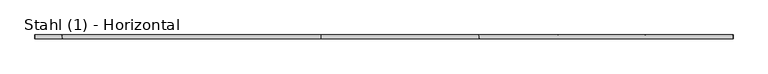
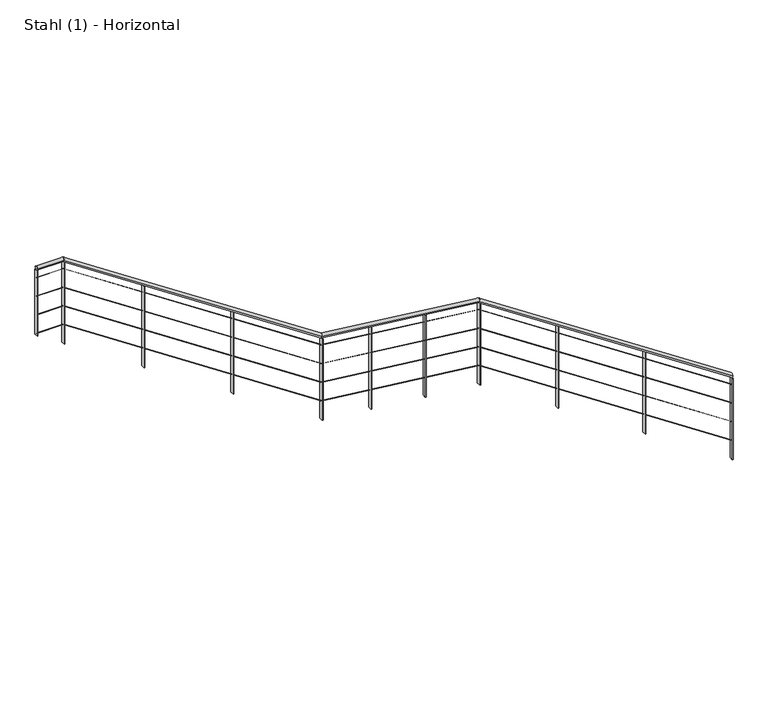
"""IFC4 building model written with IfcOpenShell, lengths in millimetres: railing geometry, Stahl (1) - Horizontal."""

from ifc_helpers import new_model, si_unit, frame, origin, place, context, project, spatial, polyline, circle_curve, ellipse_curve, outline, extrude, source, transform, mapped, element, save
from ifc_brep_helpers import plane_surface, cylinder_surface, advanced_brep


def stahl_1_horizontal_8ded61ef(model_context):
    return source(origin(), model_context, "Body", "SolidModel", [
        advanced_brep(
        [(4634.376212, 6525.5303268, 1086.2890973), (4634.376212, 6565.5303268, 1086.2890973), (2061.3911683, 6525.5303268, 2791.1440522), (2061.3911683, 6565.5303268, 2791.1440522), (461.3911683, 6525.5303268, 2972.0964332), (461.3911683, 6565.5303268, 2972.0964332), (-2160.4580306, 6525.5303268, 4709.3286835), (-2160.4580306, 6565.5303268, 4709.3286835), (-2427.5285499, 6525.5303268, 4709.3286835), (-2427.5285499, 6565.5303268, 4709.3286835)],
        [
            (0, 1, ellipse_curve(frame((4634.376212, 6545.5303268, 1086.2890973), z_axis=(1.0, 0.0, 0.0), x_axis=(0.0, 0.0, -1.0)), 23.9919671, 20.0)),
            (1, 0, ellipse_curve(frame((4634.376212, 6545.5303268, 1086.2890973), z_axis=(1.0, 0.0, 0.0), x_axis=(0.0, 0.0, -1.0)), 23.9919671, 20.0)),
            (0, 2),
            (2, 3, ellipse_curve(frame((2061.3911683, 6545.5303268, 2791.1440522), z_axis=(0.9397497898618704, 0.0, -0.34186303171675414), x_axis=(-0.34186303171675403, 0.0, -0.9397497898618703)), 20.5715803, 20.0)),
            (3, 1),
            (3, 2, ellipse_curve(frame((2061.3911683, 6545.5303268, 2791.1440522), z_axis=(0.9397497898618704, 0.0, -0.34186303171675414), x_axis=(-0.34186303171675403, 0.0, -0.9397497898618703)), 20.5715803, 20.0)),
            (2, 4),
            (4, 5, ellipse_curve(frame((461.3911683, 6545.5303268, 2972.0964332), z_axis=(0.9397497898618704, 0.0, -0.34186303171675414), x_axis=(0.34186303171675403, 0.0, 0.9397497898618703)), 20.5715803, 20.0)),
            (5, 3),
            (5, 4, ellipse_curve(frame((461.3911683, 6545.5303268, 2972.0964332), z_axis=(0.9397497898618704, 0.0, -0.34186303171675414), x_axis=(0.34186303171675403, 0.0, 0.9397497898618703)), 20.5715803, 20.0)),
            (4, 6),
            (6, 7, ellipse_curve(frame((-2160.4580306, 6545.5303268, 4709.3286835), z_axis=(0.9574999596457311, 0.0, -0.28843340180780563), x_axis=(-0.28843340180780525, 0.0, -0.9574999596457314)), 20.8877293, 20.0)),
            (7, 5),
            (7, 6, ellipse_curve(frame((-2160.4580306, 6545.5303268, 4709.3286835), z_axis=(0.9574999596457311, 0.0, -0.28843340180780563), x_axis=(-0.28843340180780525, 0.0, -0.9574999596457314)), 20.8877293, 20.0)),
            (8, 9, circle_curve(frame((-2427.5285499, 6545.5303268, 4709.3286835), z_axis=(-1.0, 0.0, 0.0), x_axis=(0.0, 1.0, 0.0)), 20.0)),
            (9, 8, circle_curve(frame((-2427.5285499, 6545.5303268, 4709.3286835), z_axis=(-1.0, 0.0, 0.0), x_axis=(0.0, 1.0, 0.0)), 20.0)),
            (6, 8),
            (9, 7),
        ],
        [
            plane_surface(frame((4634.376212, 6545.5303268, 1110.2810645), z_axis=(1.0, 0.0, 0.0), x_axis=(0.0, -1.0, 0.0))),
            cylinder_surface(frame((4623.3292132, 6545.5303268, 1093.6088176), z_axis=(0.833612345443154, 0.0, -0.5523499411829098), x_axis=(0.0, 1.0, 0.0)), 20.0),
            cylinder_surface(frame((2066.1762545, 6545.5303268, 2790.6028818), z_axis=(0.9936654360374934, 0.0, -0.11237882907566864), x_axis=(0.0, 1.0, 0.0)), 20.0),
            cylinder_surface(frame((457.3768323, 6545.5303268, 2974.7563245), z_axis=(0.8336123454431539, 0.0, -0.5523499411829098), x_axis=(0.0, 1.0, 0.0)), 20.0),
            plane_surface(frame((-2427.5285499, 6545.5303268, 4729.3286835), z_axis=(-1.0, 0.0, 0.0), x_axis=(0.0, -1.0, 0.0))),
            cylinder_surface(frame((-2154.4333118, 6545.5303268, 4709.3286835), z_axis=(1.0, 0.0, 0.0), x_axis=(0.0, 1.0, 0.0)), 20.0),
        ],
        [
            (0, [[1, 2]]),
            (1, [[-1, 3, 4, 5]]),
            (1, [[-2, -5, 6, -3]]),
            (2, [[-4, 7, 8, 9]]),
            (2, [[-6, -9, 10, -7]]),
            (3, [[-8, 11, 12, 13]]),
            (3, [[-10, -13, 14, -11]]),
            (4, [[15, 16]]),
            (5, [[-12, 17, -16, 18]]),
            (5, [[-14, -18, -15, -17]]),
        ],
    ),
        advanced_brep(
        [(4634.376212, 6544.0303268, 988.4816669), (4634.376212, 6547.0303268, 988.4816669), (2067.8963814, 6544.0303268, 2689.0262801), (2067.8963814, 6547.0303268, 2689.0262801), (467.8963814, 6544.0303268, 2869.9786611), (467.8963814, 6547.0303268, 2869.9786611), (-2154.8851657, 6544.0303268, 4607.8286835), (-2154.8851657, 6547.0303268, 4607.8286835), (-2427.5285499, 6544.0303268, 4607.8286835), (-2427.5285499, 6547.0303268, 4607.8286835)],
        [
            (0, 1, ellipse_curve(frame((4634.376212, 6545.5303268, 988.4816669), z_axis=(1.0, 0.0, 0.0), x_axis=(0.0, 0.0, -1.0)), 1.7993975, 1.5)),
            (1, 0, ellipse_curve(frame((4634.376212, 6545.5303268, 988.4816669), z_axis=(1.0, 0.0, 0.0), x_axis=(0.0, 0.0, -1.0)), 1.7993975, 1.5)),
            (0, 2),
            (2, 3, ellipse_curve(frame((2067.8963814, 6545.5303268, 2689.0262801), z_axis=(0.9397497898618704, 0.0, -0.34186303171675414), x_axis=(-0.34186303171675403, 0.0, -0.9397497898618703)), 1.5428685, 1.5)),
            (3, 1),
            (3, 2, ellipse_curve(frame((2067.8963814, 6545.5303268, 2689.0262801), z_axis=(0.9397497898618704, 0.0, -0.34186303171675414), x_axis=(-0.34186303171675403, 0.0, -0.9397497898618703)), 1.5428685, 1.5)),
            (2, 4),
            (4, 5, ellipse_curve(frame((467.8963814, 6545.5303268, 2869.9786611), z_axis=(0.9397497898618704, 0.0, -0.3418630317167542), x_axis=(0.34186303171675386, 0.0, 0.9397497898618704)), 1.5428685, 1.5)),
            (5, 3),
            (5, 4, ellipse_curve(frame((467.8963814, 6545.5303268, 2869.9786611), z_axis=(0.9397497898618704, 0.0, -0.3418630317167542), x_axis=(0.34186303171675386, 0.0, 0.9397497898618704)), 1.5428685, 1.5)),
            (4, 6),
            (6, 7, ellipse_curve(frame((-2154.8851657, 6545.5303268, 4607.8286835), z_axis=(0.9574999596457311, 0.0, -0.2884334018078057), x_axis=(-0.28843340180780513, 0.0, -0.9574999596457313)), 1.5665797, 1.5)),
            (7, 5),
            (7, 6, ellipse_curve(frame((-2154.8851657, 6545.5303268, 4607.8286835), z_axis=(0.9574999596457311, 0.0, -0.2884334018078057), x_axis=(-0.28843340180780513, 0.0, -0.9574999596457313)), 1.5665797, 1.5)),
            (8, 9, circle_curve(frame((-2427.5285499, 6545.5303268, 4607.8286835), z_axis=(-1.0, 0.0, 0.0), x_axis=(0.0, 1.0, 0.0)), 1.5)),
            (9, 8, circle_curve(frame((-2427.5285499, 6545.5303268, 4607.8286835), z_axis=(-1.0, 0.0, 0.0), x_axis=(0.0, 1.0, 0.0)), 1.5)),
            (6, 8),
            (9, 7),
        ],
        [
            plane_surface(frame((4634.376212, 6545.5303268, 990.2810645), z_axis=(1.0, 0.0, 0.0), x_axis=(0.0, -1.0, 0.0))),
            cylinder_surface(frame((4633.5476871, 6545.5303268, 989.030646), z_axis=(0.8336123454431539, 0.0, -0.5523499411829098), x_axis=(0.0, 1.0, 0.0)), 1.5),
            cylinder_surface(frame((2068.2552628, 6545.5303268, 2688.9856923), z_axis=(0.9936654360374934, 0.0, -0.11237882907566861), x_axis=(0.0, 1.0, 0.0)), 1.5),
            cylinder_surface(frame((467.5953062, 6545.5303268, 2870.1781529), z_axis=(0.8336123454431539, 0.0, -0.5523499411829099), x_axis=(0.0, 1.0, 0.0)), 1.5),
            plane_surface(frame((-2427.5285499, 6545.5303268, 4609.3286835), z_axis=(-1.0, 0.0, 0.0), x_axis=(0.0, -1.0, 0.0))),
            cylinder_surface(frame((-2154.4333118, 6545.5303268, 4607.8286835), z_axis=(1.0, 0.0, 0.0), x_axis=(0.0, 1.0, 0.0)), 1.5),
        ],
        [
            (0, [[1, 2]]),
            (1, [[-1, 3, 4, 5]]),
            (1, [[-2, -5, 6, -3]]),
            (2, [[-4, 7, 8, 9]]),
            (2, [[-6, -9, 10, -7]]),
            (3, [[-8, 11, 12, 13]]),
            (3, [[-10, -13, 14, -11]]),
            (4, [[15, 16]]),
            (5, [[-12, 17, -16, 18]]),
            (5, [[-14, -18, -15, -17]]),
        ],
    ),
        advanced_brep(
        [(4634.376212, 6544.0303268, 788.4816669), (4634.376212, 6547.0303268, 788.4816669), (2067.8963814, 6544.0303268, 2489.0262801), (2067.8963814, 6547.0303268, 2489.0262801), (467.8963814, 6544.0303268, 2669.9786611), (467.8963814, 6547.0303268, 2669.9786611), (-2154.8851657, 6544.0303268, 4407.8286835), (-2154.8851657, 6547.0303268, 4407.8286835), (-2427.5285499, 6544.0303268, 4407.8286835), (-2427.5285499, 6547.0303268, 4407.8286835)],
        [
            (0, 1, ellipse_curve(frame((4634.376212, 6545.5303268, 788.4816669), z_axis=(1.0, 0.0, 0.0), x_axis=(0.0, 0.0, -1.0)), 1.7993975, 1.5)),
            (1, 0, ellipse_curve(frame((4634.376212, 6545.5303268, 788.4816669), z_axis=(1.0, 0.0, 0.0), x_axis=(0.0, 0.0, -1.0)), 1.7993975, 1.5)),
            (0, 2),
            (2, 3, ellipse_curve(frame((2067.8963814, 6545.5303268, 2489.0262801), z_axis=(0.9397497898618704, 0.0, -0.34186303171675414), x_axis=(-0.34186303171675403, 0.0, -0.9397497898618703)), 1.5428685, 1.5)),
            (3, 1),
            (3, 2, ellipse_curve(frame((2067.8963814, 6545.5303268, 2489.0262801), z_axis=(0.9397497898618704, 0.0, -0.34186303171675414), x_axis=(-0.34186303171675403, 0.0, -0.9397497898618703)), 1.5428685, 1.5)),
            (2, 4),
            (4, 5, ellipse_curve(frame((467.8963814, 6545.5303268, 2669.9786611), z_axis=(0.9397497898618704, 0.0, -0.3418630317167542), x_axis=(0.3418630317167539, 0.0, 0.9397497898618704)), 1.5428685, 1.5)),
            (5, 3),
            (5, 4, ellipse_curve(frame((467.8963814, 6545.5303268, 2669.9786611), z_axis=(0.9397497898618704, 0.0, -0.3418630317167542), x_axis=(0.3418630317167539, 0.0, 0.9397497898618704)), 1.5428685, 1.5)),
            (4, 6),
            (6, 7, ellipse_curve(frame((-2154.8851657, 6545.5303268, 4407.8286835), z_axis=(0.9574999596457311, 0.0, -0.2884334018078057), x_axis=(-0.28843340180780513, 0.0, -0.9574999596457313)), 1.5665797, 1.5)),
            (7, 5),
            (7, 6, ellipse_curve(frame((-2154.8851657, 6545.5303268, 4407.8286835), z_axis=(0.9574999596457311, 0.0, -0.2884334018078057), x_axis=(-0.28843340180780513, 0.0, -0.9574999596457313)), 1.5665797, 1.5)),
            (8, 9, circle_curve(frame((-2427.5285499, 6545.5303268, 4407.8286835), z_axis=(-1.0, 0.0, 0.0), x_axis=(0.0, 1.0, 0.0)), 1.5)),
            (9, 8, circle_curve(frame((-2427.5285499, 6545.5303268, 4407.8286835), z_axis=(-1.0, 0.0, 0.0), x_axis=(0.0, 1.0, 0.0)), 1.5)),
            (6, 8),
            (9, 7),
        ],
        [
            plane_surface(frame((4634.376212, 6545.5303268, 790.2810645), z_axis=(1.0, 0.0, 0.0), x_axis=(0.0, -1.0, 0.0))),
            cylinder_surface(frame((4633.5476871, 6545.5303268, 789.030646), z_axis=(0.833612345443154, 0.0, -0.5523499411829098), x_axis=(0.0, 1.0, 0.0)), 1.5),
            cylinder_surface(frame((2068.2552628, 6545.5303268, 2488.9856923), z_axis=(0.9936654360374934, 0.0, -0.11237882907566864), x_axis=(0.0, 1.0, 0.0)), 1.5),
            cylinder_surface(frame((467.5953062, 6545.5303268, 2670.1781529), z_axis=(0.8336123454431539, 0.0, -0.5523499411829099), x_axis=(0.0, 1.0, 0.0)), 1.5),
            plane_surface(frame((-2427.5285499, 6545.5303268, 4409.3286835), z_axis=(-1.0, 0.0, 0.0), x_axis=(0.0, -1.0, 0.0))),
            cylinder_surface(frame((-2154.4333118, 6545.5303268, 4407.8286835), z_axis=(1.0, 0.0, 0.0), x_axis=(0.0, 1.0, 0.0)), 1.5),
        ],
        [
            (0, [[1, 2]]),
            (1, [[-1, 3, 4, 5]]),
            (1, [[-2, -5, 6, -3]]),
            (2, [[-4, 7, 8, 9]]),
            (2, [[-6, -9, 10, -7]]),
            (3, [[-8, 11, 12, 13]]),
            (3, [[-10, -13, 14, -11]]),
            (4, [[15, 16]]),
            (5, [[-12, 17, -16, 18]]),
            (5, [[-14, -18, -15, -17]]),
        ],
    ),
        advanced_brep(
        [(4634.376212, 6544.0303268, 588.4816669), (4634.376212, 6547.0303268, 588.4816669), (2067.8963814, 6544.0303268, 2289.0262801), (2067.8963814, 6547.0303268, 2289.0262801), (467.8963814, 6544.0303268, 2469.9786611), (467.8963814, 6547.0303268, 2469.9786611), (-2154.8851657, 6544.0303268, 4207.8286835), (-2154.8851657, 6547.0303268, 4207.8286835), (-2427.5285499, 6544.0303268, 4207.8286835), (-2427.5285499, 6547.0303268, 4207.8286835)],
        [
            (0, 1, ellipse_curve(frame((4634.376212, 6545.5303268, 588.4816669), z_axis=(1.0, 0.0, 0.0), x_axis=(0.0, 0.0, -1.0)), 1.7993975, 1.5)),
            (1, 0, ellipse_curve(frame((4634.376212, 6545.5303268, 588.4816669), z_axis=(1.0, 0.0, 0.0), x_axis=(0.0, 0.0, -1.0)), 1.7993975, 1.5)),
            (0, 2),
            (2, 3, ellipse_curve(frame((2067.8963814, 6545.5303268, 2289.0262801), z_axis=(0.9397497898618704, 0.0, -0.34186303171675414), x_axis=(-0.34186303171675403, 0.0, -0.9397497898618703)), 1.5428685, 1.5)),
            (3, 1),
            (3, 2, ellipse_curve(frame((2067.8963814, 6545.5303268, 2289.0262801), z_axis=(0.9397497898618704, 0.0, -0.34186303171675414), x_axis=(-0.34186303171675403, 0.0, -0.9397497898618703)), 1.5428685, 1.5)),
            (2, 4),
            (4, 5, ellipse_curve(frame((467.8963814, 6545.5303268, 2469.9786611), z_axis=(0.9397497898618704, 0.0, -0.3418630317167542), x_axis=(0.3418630317167539, 0.0, 0.9397497898618704)), 1.5428685, 1.5)),
            (5, 3),
            (5, 4, ellipse_curve(frame((467.8963814, 6545.5303268, 2469.9786611), z_axis=(0.9397497898618704, 0.0, -0.3418630317167542), x_axis=(0.3418630317167539, 0.0, 0.9397497898618704)), 1.5428685, 1.5)),
            (4, 6),
            (6, 7, ellipse_curve(frame((-2154.8851657, 6545.5303268, 4207.8286835), z_axis=(0.9574999596457311, 0.0, -0.2884334018078057), x_axis=(-0.28843340180780513, 0.0, -0.9574999596457313)), 1.5665797, 1.5)),
            (7, 5),
            (7, 6, ellipse_curve(frame((-2154.8851657, 6545.5303268, 4207.8286835), z_axis=(0.9574999596457311, 0.0, -0.2884334018078057), x_axis=(-0.28843340180780513, 0.0, -0.9574999596457313)), 1.5665797, 1.5)),
            (8, 9, circle_curve(frame((-2427.5285499, 6545.5303268, 4207.8286835), z_axis=(-1.0, 0.0, 0.0), x_axis=(0.0, 1.0, 0.0)), 1.5)),
            (9, 8, circle_curve(frame((-2427.5285499, 6545.5303268, 4207.8286835), z_axis=(-1.0, 0.0, 0.0), x_axis=(0.0, 1.0, 0.0)), 1.5)),
            (6, 8),
            (9, 7),
        ],
        [
            plane_surface(frame((4634.376212, 6545.5303268, 590.2810645), z_axis=(1.0, 0.0, 0.0), x_axis=(0.0, -1.0, 0.0))),
            cylinder_surface(frame((4633.5476871, 6545.5303268, 589.030646), z_axis=(0.833612345443154, 0.0, -0.5523499411829098), x_axis=(0.0, 1.0, 0.0)), 1.5),
            cylinder_surface(frame((2068.2552628, 6545.5303268, 2288.9856923), z_axis=(0.9936654360374934, 0.0, -0.11237882907566864), x_axis=(0.0, 1.0, 0.0)), 1.5),
            cylinder_surface(frame((467.5953062, 6545.5303268, 2470.1781529), z_axis=(0.8336123454431539, 0.0, -0.5523499411829099), x_axis=(0.0, 1.0, 0.0)), 1.5),
            plane_surface(frame((-2427.5285499, 6545.5303268, 4209.3286835), z_axis=(-1.0, 0.0, 0.0), x_axis=(0.0, -1.0, 0.0))),
            cylinder_surface(frame((-2154.4333118, 6545.5303268, 4207.8286835), z_axis=(1.0, 0.0, 0.0), x_axis=(0.0, 1.0, 0.0)), 1.5),
        ],
        [
            (0, [[1, 2]]),
            (1, [[-1, 3, 4, 5]]),
            (1, [[-2, -5, 6, -3]]),
            (2, [[-4, 7, 8, 9]]),
            (2, [[-6, -9, 10, -7]]),
            (3, [[-8, 11, 12, 13]]),
            (3, [[-10, -13, 14, -11]]),
            (4, [[15, 16]]),
            (5, [[-12, 17, -16, 18]]),
            (5, [[-14, -18, -15, -17]]),
        ],
    ),
        advanced_brep(
        [(4634.376212, 6544.0303268, 388.4816669), (4634.376212, 6547.0303268, 388.4816669), (2067.8963814, 6544.0303268, 2089.0262801), (2067.8963814, 6547.0303268, 2089.0262801), (467.8963814, 6544.0303268, 2269.9786611), (467.8963814, 6547.0303268, 2269.9786611), (-2154.8851657, 6544.0303268, 4007.8286835), (-2154.8851657, 6547.0303268, 4007.8286835), (-2427.5285499, 6544.0303268, 4007.8286835), (-2427.5285499, 6547.0303268, 4007.8286835)],
        [
            (0, 1, ellipse_curve(frame((4634.376212, 6545.5303268, 388.4816669), z_axis=(1.0, 0.0, 0.0), x_axis=(0.0, 0.0, -1.0)), 1.7993975, 1.5)),
            (1, 0, ellipse_curve(frame((4634.376212, 6545.5303268, 388.4816669), z_axis=(1.0, 0.0, 0.0), x_axis=(0.0, 0.0, -1.0)), 1.7993975, 1.5)),
            (0, 2),
            (2, 3, ellipse_curve(frame((2067.8963814, 6545.5303268, 2089.0262801), z_axis=(0.9397497898618704, 0.0, -0.3418630317167542), x_axis=(-0.34186303171675414, 0.0, -0.9397497898618705)), 1.5428685, 1.5)),
            (3, 1),
            (3, 2, ellipse_curve(frame((2067.8963814, 6545.5303268, 2089.0262801), z_axis=(0.9397497898618704, 0.0, -0.3418630317167542), x_axis=(-0.34186303171675414, 0.0, -0.9397497898618705)), 1.5428685, 1.5)),
            (2, 4),
            (4, 5, ellipse_curve(frame((467.8963814, 6545.5303268, 2269.9786611), z_axis=(0.9397497898618704, 0.0, -0.34186303171675414), x_axis=(0.34186303171675414, 0.0, 0.9397497898618703)), 1.5428685, 1.5)),
            (5, 3),
            (5, 4, ellipse_curve(frame((467.8963814, 6545.5303268, 2269.9786611), z_axis=(0.9397497898618704, 0.0, -0.34186303171675414), x_axis=(0.34186303171675414, 0.0, 0.9397497898618703)), 1.5428685, 1.5)),
            (4, 6),
            (6, 7, ellipse_curve(frame((-2154.8851657, 6545.5303268, 4007.8286835), z_axis=(0.9574999596457313, 0.0, -0.28843340180780547), x_axis=(-0.28843340180780513, 0.0, -0.9574999596457313)), 1.5665797, 1.5)),
            (7, 5),
            (7, 6, ellipse_curve(frame((-2154.8851657, 6545.5303268, 4007.8286835), z_axis=(0.9574999596457313, 0.0, -0.28843340180780547), x_axis=(-0.28843340180780513, 0.0, -0.9574999596457313)), 1.5665797, 1.5)),
            (8, 9, circle_curve(frame((-2427.5285499, 6545.5303268, 4007.8286835), z_axis=(-1.0, 0.0, 0.0), x_axis=(0.0, 1.0, 0.0)), 1.5)),
            (9, 8, circle_curve(frame((-2427.5285499, 6545.5303268, 4007.8286835), z_axis=(-1.0, 0.0, 0.0), x_axis=(0.0, 1.0, 0.0)), 1.5)),
            (6, 8),
            (9, 7),
        ],
        [
            plane_surface(frame((4634.376212, 6545.5303268, 390.2810645), z_axis=(1.0, 0.0, 0.0), x_axis=(0.0, -1.0, 0.0))),
            cylinder_surface(frame((4633.5476871, 6545.5303268, 389.030646), z_axis=(0.833612345443154, 0.0, -0.5523499411829098), x_axis=(0.0, 1.0, 0.0)), 1.5),
            cylinder_surface(frame((2068.2552628, 6545.5303268, 2088.9856923), z_axis=(0.9936654360374934, 0.0, -0.11237882907566875), x_axis=(0.0, 1.0, 0.0)), 1.5),
            cylinder_surface(frame((467.5953062, 6545.5303268, 2270.1781529), z_axis=(0.833612345443154, 0.0, -0.5523499411829097), x_axis=(0.0, 1.0, 0.0)), 1.5),
            plane_surface(frame((-2427.5285499, 6545.5303268, 4009.3286835), z_axis=(-1.0, 0.0, 0.0), x_axis=(0.0, -1.0, 0.0))),
            cylinder_surface(frame((-2154.4333118, 6545.5303268, 4007.8286835), z_axis=(1.0, 0.0, 0.0), x_axis=(0.0, 1.0, 0.0)), 1.5),
        ],
        [
            (0, [[1, 2]]),
            (1, [[-1, 3, 4, 5]]),
            (1, [[-2, -5, 6, -3]]),
            (2, [[-4, 7, 8, 9]]),
            (2, [[-6, -9, 10, -7]]),
            (3, [[-8, 11, 12, 13]]),
            (3, [[-10, -13, 14, -11]]),
            (4, [[15, 16]]),
            (5, [[-12, 17, -16, 18]]),
            (5, [[-14, -18, -15, -17]]),
        ],
    ),
        extrude(outline(polyline([(3269.9803729, -1336.443164), (4139.3460463, -1336.443164), (4144.6468309, -1344.443164), (3269.9803729, -1344.443164), (3269.9803729, -1336.443164)])), frame((0.0, 6525.5303268, 0.0), z_axis=(0.0, 1.0, 0.0), x_axis=(0.0, 0.0, 1.0)), (0.0, 0.0, 1.0), 40.0),
        extrude(outline(polyline([(2670.7044722, -432.0096665), (3540.0701455, -432.0096665), (3545.3709302, -440.0096665), (2670.7044722, -440.0096665), (2670.7044722, -432.0096665)])), frame((0.0, 6525.5303268, 0.0), z_axis=(0.0, 1.0, 0.0), x_axis=(0.0, 0.0, 1.0)), (0.0, 0.0, 1.0), 40.0),
        extrude(outline(polyline([(2015.270936, 968.9755552), (2894.5635571, 968.9755552), (2895.4683191, 960.9755552), (2015.270936, 960.9755552), (2015.270936, 968.9755552)])), frame((0.0, 6525.5303268, 0.0), z_axis=(0.0, 1.0, 0.0), x_axis=(0.0, 0.0, 1.0)), (0.0, 0.0, 1.0), 40.0),
        extrude(outline(polyline([(1952.8735632, 1520.6996931), (2832.1661844, 1520.6996931), (2833.0709463, 1512.6996931), (1952.8735632, 1512.6996931), (1952.8735632, 1520.6996931)])), frame((0.0, 6525.5303268, 0.0), z_axis=(0.0, 1.0, 0.0), x_axis=(0.0, 0.0, 1.0)), (0.0, 0.0, 1.0), 40.0),
        extrude(outline(polyline([(1362.8294272, 2868.7538803), (2232.1951006, 2868.7538803), (2237.4958853, 2860.7538803), (1362.8294272, 2860.7538803), (1362.8294272, 2868.7538803)])), frame((0.0, 6525.5303268, 0.0), z_axis=(0.0, 1.0, 0.0), x_axis=(0.0, 0.0, 1.0)), (0.0, 0.0, 1.0), 40.0),
        extrude(outline(polyline([(776.5552459, 3753.5650462), (1645.9209192, 3753.5650462), (1651.2217039, 3745.5650462), (776.5552459, 3745.5650462), (776.5552459, 3753.5650462)])), frame((0.0, 6525.5303268, 0.0), z_axis=(0.0, 1.0, 0.0), x_axis=(0.0, 0.0, 1.0)), (0.0, 0.0, 1.0), 40.0),
        extrude(outline(polyline([(3809.3286835, -2150.4333118), (4678.6943569, -2150.4333118), (4683.9951416, -2158.4333118), (3809.3286835, -2158.4333118), (3809.3286835, -2150.4333118)])), frame((0.0, 6525.5303268, 0.0), z_axis=(0.0, 1.0, 0.0), x_axis=(0.0, 0.0, 1.0)), (0.0, 0.0, 1.0), 40.0),
        extrude(outline(polyline([(2071.4285714, 472.4238311), (2940.7942448, 472.4238311), (2946.0950295, 464.4238311), (2071.4285714, 464.4238311), (2071.4285714, 472.4238311)])), frame((0.0, 6525.5303268, 0.0), z_axis=(0.0, 1.0, 0.0), x_axis=(0.0, 0.0, 1.0)), (0.0, 0.0, 1.0), 40.0),
        extrude(outline(polyline([(1890.4761905, 2072.4238311), (2759.8418639, 2072.4238311), (2765.1426485, 2064.4238311), (1890.4761905, 2064.4238311), (1890.4761905, 2072.4238311)])), frame((0.0, 6525.5303268, 0.0), z_axis=(0.0, 1.0, 0.0), x_axis=(0.0, 0.0, 1.0)), (0.0, 0.0, 1.0), 40.0),
        extrude(outline(polyline([(-2423.5285499, 6565.5303268), (-2423.5285499, 6525.5303268), (-2431.5285499, 6525.5303268), (-2431.5285499, 6565.5303268), (-2423.5285499, 6565.5303268)])), frame((0.0, 0.0, 3990.2810645), z_axis=(0.0, 0.0, 1.0), x_axis=(1.0, 0.0, 0.0)), (0.0, 0.0, 1.0), 699.047619),
        extrude(outline(polyline([(190.2810645, 4638.376212), (1059.6467379, 4638.376212), (1064.9475225, 4630.376212), (190.2810645, 4630.376212), (190.2810645, 4638.376212)])), frame((0.0, 6525.5303268, 0.0), z_axis=(0.0, 1.0, 0.0), x_axis=(0.0, 0.0, 1.0)), (0.0, 0.0, 1.0), 40.0),
    ])


if __name__ == "__main__":
    model = new_model("IFC4")
    model_context = context("Model", 3, world=origin())
    ifc_project = project(units=[si_unit("LENGTHUNIT", "METRE", prefix="MILLI")], contexts=[model_context])
    site = spatial("IfcSite", under=ifc_project)
    building = spatial("IfcBuilding", under=site)
    placement = place(None, origin())
    stahl_1_horizontal_shape = stahl_1_horizontal_8ded61ef(model_context)
    element("IfcRailing", 1, ObjectType="Stahl (1) - Horizontal", at=placement, inside=building, context=model_context, shape_type="MappedRepresentation", body=[
        mapped(stahl_1_horizontal_shape, transform((0.0, 0.0, 0.0), x_axis=(1.0, 0.0, 0.0), y_axis=(0.0, 1.0, 0.0), z_axis=(0.0, 0.0, 1.0))),
    ])
    save(model, "model.ifc")
